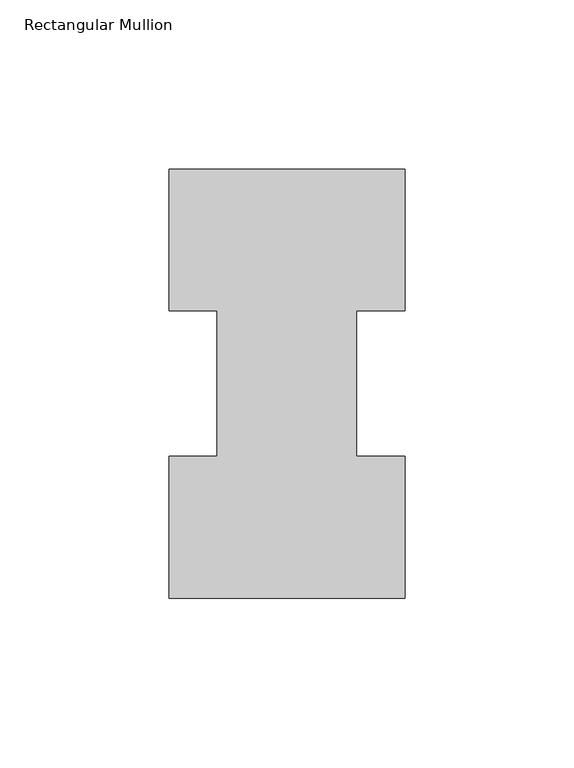
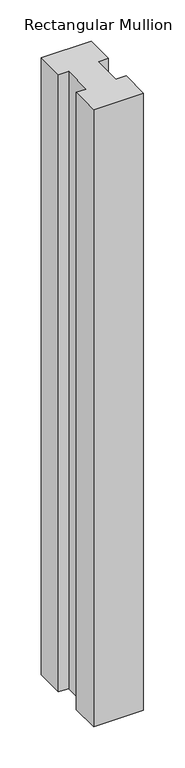
"""IFC4 building model written with IfcOpenShell, lengths in millimetres: member geometry, Rectangular Mullion."""

from ifc_helpers import new_model, si_unit, frame, origin, place, context, project, spatial, polyline, outline, extrude, source, transform, mapped, element, save


def rectangular_mullion_7631a941(model_context):
    return source(origin(), model_context, "Body", "SweptSolid", [
        extrude(outline(polyline([(-34.925, 126.5187614), (34.925, 126.5187614), (34.925, 84.6335937), (20.6375, 84.6335937), (20.6375, 41.5938614), (34.925, 41.5938614), (34.925, -0.4812386), (-34.925, -0.4812386), (-34.925, 41.5938614), (-20.6375, 41.5938614), (-20.6375, 84.6335937), (-34.925, 84.6335937), (-34.925, 126.5187614)])), frame((0.0, 0.0, -914.4), z_axis=(0.0, 0.0, 1.0), x_axis=(1.0, 0.0, 0.0)), (0.0, 0.0, 1.0), 914.4),
    ])


if __name__ == "__main__":
    model = new_model("IFC4")
    model_context = context("Model", 3, world=origin())
    ifc_project = project(units=[si_unit("LENGTHUNIT", "METRE", prefix="MILLI")], contexts=[model_context])
    site = spatial("IfcSite", under=ifc_project)
    building = spatial("IfcBuilding", under=site)
    placement = place(None, origin())
    rectangular_mullion_shape = rectangular_mullion_7631a941(model_context)
    element("IfcMember", 1, ObjectType="Rectangular Mullion", at=placement, inside=building, context=model_context, shape_type="MappedRepresentation", body=[
        mapped(rectangular_mullion_shape, transform((0.0, 0.0, 0.0), x_axis=(1.0, 0.0, 0.0), y_axis=(0.0, 1.0, 0.0), z_axis=(0.0, 0.0, 1.0))),
    ])
    save(model, "model.ifc")
